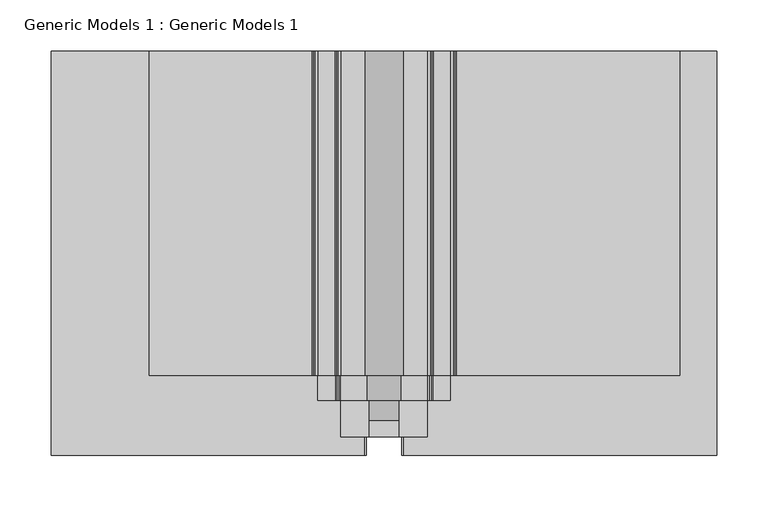
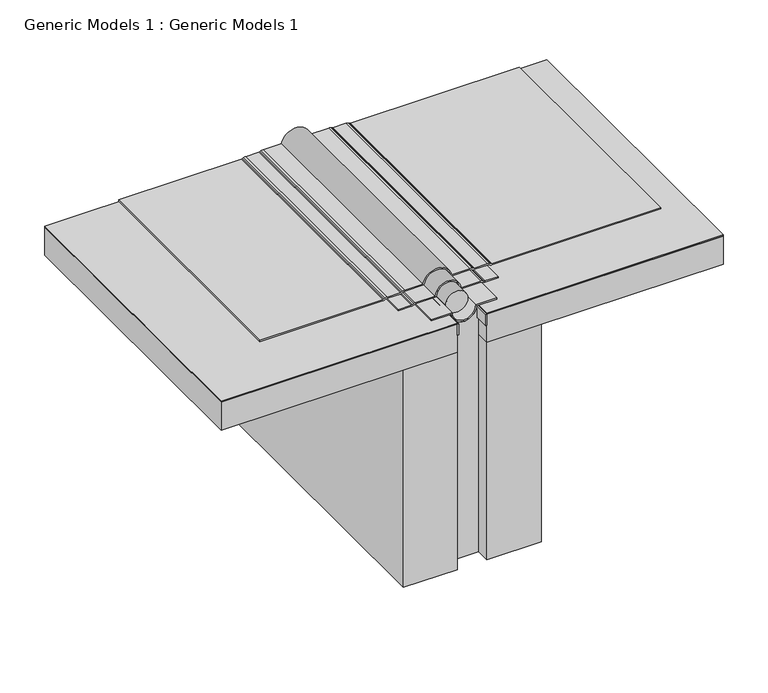
"""IFC4 building model written with IfcOpenShell, lengths in millimetres: proxy geometry, Generic Models 1 : Generic Models 1."""

from ifc_helpers import new_model, si_unit, point, frame, frame_2d, origin, place, context, project, spatial, polyline, circle_curve, trimmed, segment, composite_curve, outline, extrude, source, transform, mapped, element, save


def generic_models_1_generic_models_1_712109e8(model_context):
    return source(origin(), model_context, "Body", "SweptSolid", [
        extrude(outline(composite_curve([segment(polyline([(371.8823839, 80.7975655), (371.8823839, 105.6586194)]), True, "CONTINUOUS"), segment(trimmed(circle_curve(frame_2d((366.3261339, 105.6586194)), 5.55625), [point((371.8823839, 105.6586194))], [point((371.3618066, 108.0067922))], True, "CARTESIAN"), True, "CONTINUOUS"), segment(polyline([(371.3618066, 108.0067922), (370.7148005, 109.3943011)]), True, "CONTINUOUS"), segment(trimmed(circle_curve(frame_2d((375.0310914, 111.4070206)), 4.7625), [point((370.7148005, 109.3943011))], [point((370.2685914, 111.4070206))], False, "CARTESIAN"), True, "CONTINUOUS"), segment(polyline([(370.2685914, 111.4070206), (370.2685914, 128.0795393)]), True, "CONTINUOUS"), segment(trimmed(circle_curve(frame_2d((364.7123414, 128.0795393)), 5.55625), [point((370.2685914, 128.0795393))], [point((369.748014, 130.427712))], True, "CARTESIAN"), True, "CONTINUOUS"), segment(polyline([(369.748014, 130.427712), (369.101008, 131.815221)]), True, "CONTINUOUS"), segment(trimmed(circle_curve(frame_2d((373.4172988, 133.8279405)), 4.7625), [point((369.101008, 131.815221))], [point((368.6547988, 133.8279405))], False, "CARTESIAN"), True, "CONTINUOUS"), segment(polyline([(368.6547988, 133.8279405), (368.6547988, 351.5567558), (370.2422988, 351.5567558), (370.2422988, 133.8279405)]), True, "CONTINUOUS"), segment(trimmed(circle_curve(frame_2d((373.4172988, 133.8279405)), 3.175), [point((370.2422988, 133.8279405))], [point((370.5397716, 132.4861275))], True, "CARTESIAN"), True, "CONTINUOUS"), segment(polyline([(370.5397716, 132.4861275), (371.1867776, 131.0986185)]), True, "CONTINUOUS"), segment(trimmed(circle_curve(frame_2d((364.7123414, 128.0795393)), 7.14375), [point((371.1867776, 131.0986185))], [point((371.8560914, 128.0795393))], False, "CARTESIAN"), True, "CONTINUOUS"), segment(polyline([(371.8560914, 128.0795393), (371.8560914, 111.4070206)]), True, "CONTINUOUS"), segment(trimmed(circle_curve(frame_2d((375.0310914, 111.4070206)), 3.175), [point((371.8560914, 111.4070206))], [point((372.1535641, 110.0652076))], True, "CARTESIAN"), True, "CONTINUOUS"), segment(polyline([(372.1535641, 110.0652076), (372.8005702, 108.6776987)]), True, "CONTINUOUS"), segment(trimmed(circle_curve(frame_2d((366.3261339, 105.6586194)), 7.14375), [point((372.8005702, 108.6776987))], [point((373.4698839, 105.6586194))], False, "CARTESIAN"), True, "CONTINUOUS"), segment(polyline([(373.4698839, 105.6586194), (373.4698839, 82.1291976)]), True, "CONTINUOUS"), segment(trimmed(circle_curve(frame_2d((369.4879876, 63.5)), 19.05), [point((373.4698839, 82.1291976))], [point((373.4698839, 44.8708024))], False, "CARTESIAN"), True, "CONTINUOUS"), segment(polyline([(373.4698839, 44.8708024), (373.4698839, 21.3413806)]), True, "CONTINUOUS"), segment(trimmed(circle_curve(frame_2d((366.3261339, 21.3413806)), 7.14375), [point((373.4698839, 21.3413806))], [point((372.8005702, 18.3223013))], False, "CARTESIAN"), True, "CONTINUOUS"), segment(polyline([(372.8005702, 18.3223013), (372.1535641, 16.9347924)]), True, "CONTINUOUS"), segment(trimmed(circle_curve(frame_2d((375.0310914, 15.5929794)), 3.175), [point((372.1535641, 16.9347924))], [point((371.8560914, 15.5929794))], True, "CARTESIAN"), True, "CONTINUOUS"), segment(polyline([(371.8560914, 15.5929794), (371.8560914, -1.0795393)]), True, "CONTINUOUS"), segment(trimmed(circle_curve(frame_2d((364.7123414, -1.0795393)), 7.14375), [point((371.8560914, -1.0795393))], [point((371.1867776, -4.0986185))], False, "CARTESIAN"), True, "CONTINUOUS"), segment(polyline([(371.1867776, -4.0986185), (370.5397716, -5.4861275)]), True, "CONTINUOUS"), segment(trimmed(circle_curve(frame_2d((373.4172988, -6.8279405)), 3.175), [point((370.5397716, -5.4861275))], [point((370.2422988, -6.8279405))], True, "CARTESIAN"), True, "CONTINUOUS"), segment(polyline([(370.2422988, -6.8279405), (370.2422988, -165.2260002), (368.6547988, -165.2260002), (368.6547988, -6.8279405)]), True, "CONTINUOUS"), segment(trimmed(circle_curve(frame_2d((373.4172988, -6.8279405)), 4.7625), [point((368.6547988, -6.8279405))], [point((369.101008, -4.815221))], False, "CARTESIAN"), True, "CONTINUOUS"), segment(polyline([(369.101008, -4.815221), (369.748014, -3.427712)]), True, "CONTINUOUS"), segment(trimmed(circle_curve(frame_2d((364.7123414, -1.0795393)), 5.55625), [point((369.748014, -3.427712))], [point((370.2685914, -1.0795393))], True, "CARTESIAN"), True, "CONTINUOUS"), segment(polyline([(370.2685914, -1.0795393), (370.2685914, 15.5929794)]), True, "CONTINUOUS"), segment(trimmed(circle_curve(frame_2d((375.0310914, 15.5929794)), 4.7625), [point((370.2685914, 15.5929794))], [point((370.7148005, 17.6056989))], False, "CARTESIAN"), True, "CONTINUOUS"), segment(polyline([(370.7148005, 17.6056989), (371.3618066, 18.9932078)]), True, "CONTINUOUS"), segment(trimmed(circle_curve(frame_2d((366.3261339, 21.3413806)), 5.55625), [point((371.3618066, 18.9932078))], [point((371.8823839, 21.3413806))], True, "CARTESIAN"), True, "CONTINUOUS"), segment(polyline([(371.8823839, 21.3413806), (371.8823839, 46.2024345)]), True, "CONTINUOUS"), segment(trimmed(circle_curve(frame_2d((369.4879876, 63.5)), 17.4625), [point((371.8823839, 46.2024345))], [point((371.8823839, 80.7975655))], True, "CARTESIAN"), True, "CONTINUOUS")], self_intersect=False)), frame((0.0, 77.8885066, 0.0), z_axis=(0.0, 1.0, 0.0), x_axis=(0.0, 0.0, 1.0)), (0.0, 0.0, 1.0), 315.9584324),
        extrude(outline(composite_curve([segment(polyline([(371.0886339, 105.6586194), (371.0886339, 80.0917196)]), True, "CONTINUOUS"), segment(trimmed(circle_curve(frame_2d((369.4879876, 63.5)), 16.66875), [point((371.0886339, 80.0917196))], [point((371.0886339, 46.9082804))], False, "CARTESIAN"), True, "CONTINUOUS"), segment(polyline([(371.0886339, 46.9082804), (371.0886339, 21.3413806)]), True, "CONTINUOUS"), segment(trimmed(circle_curve(frame_2d((366.3261339, 21.3413806)), 4.7625), [point((371.0886339, 21.3413806))], [point((370.6424248, 19.3286611))], False, "CARTESIAN"), True, "CONTINUOUS"), segment(polyline([(370.6424248, 19.3286611), (369.7723141, 17.4627028)]), True, "CONTINUOUS"), segment(trimmed(circle_curve(frame_2d((372.6498414, 16.1208898)), 3.175), [point((369.7723141, 17.4627028))], [point((369.4748414, 16.1208898))], True, "CARTESIAN"), True, "CONTINUOUS"), segment(polyline([(369.4748414, 16.1208898), (369.4748414, -1.0795393), (367.8873414, -1.0795393), (367.8873414, 16.1208898)]), True, "CONTINUOUS"), segment(trimmed(circle_curve(frame_2d((372.6498414, 16.1208898)), 4.7625), [point((367.8873414, 16.1208898))], [point((368.3335505, 18.1336093))], False, "CARTESIAN"), True, "CONTINUOUS"), segment(polyline([(368.3335505, 18.1336093), (369.2036612, 19.9995676)]), True, "CONTINUOUS"), segment(trimmed(circle_curve(frame_2d((366.3261339, 21.3413806)), 3.175), [point((369.2036612, 19.9995676))], [point((369.5011339, 21.3413806))], True, "CARTESIAN"), True, "CONTINUOUS"), segment(polyline([(369.5011339, 21.3413806), (369.5011339, 48.4187557)]), True, "CONTINUOUS"), segment(trimmed(circle_curve(frame_2d((369.4879876, 63.5)), 15.08125), [point((369.5011339, 48.4187557))], [point((369.5011339, 78.5812443))], True, "CARTESIAN"), True, "CONTINUOUS"), segment(polyline([(369.5011339, 78.5812443), (369.5011339, 105.6586194)]), True, "CONTINUOUS"), segment(trimmed(circle_curve(frame_2d((366.3261339, 105.6586194)), 3.175), [point((369.5011339, 105.6586194))], [point((369.2036612, 107.0004324))], True, "CARTESIAN"), True, "CONTINUOUS"), segment(polyline([(369.2036612, 107.0004324), (368.3335505, 108.8663907)]), True, "CONTINUOUS"), segment(trimmed(circle_curve(frame_2d((372.6498414, 110.8791102)), 4.7625), [point((368.3335505, 108.8663907))], [point((367.8873414, 110.8791102))], False, "CARTESIAN"), True, "CONTINUOUS"), segment(polyline([(367.8873414, 110.8791102), (367.8873414, 128.0795393), (369.4748414, 128.0795393), (369.4748414, 110.8791102)]), True, "CONTINUOUS"), segment(trimmed(circle_curve(frame_2d((372.6498414, 110.8791102)), 3.175), [point((369.4748414, 110.8791102))], [point((369.7723141, 109.5372972))], True, "CARTESIAN"), True, "CONTINUOUS"), segment(polyline([(369.7723141, 109.5372972), (370.6424248, 107.6713389)]), True, "CONTINUOUS"), segment(trimmed(circle_curve(frame_2d((366.3261339, 105.6586194)), 4.7625), [point((370.6424248, 107.6713389))], [point((371.0886339, 105.6586194))], False, "CARTESIAN"), True, "CONTINUOUS")], self_intersect=False)), frame((0.0, 53.568581, 0.0), z_axis=(0.0, 1.0, 0.0), x_axis=(0.0, 0.0, 1.0)), (0.0, 0.0, 1.0), 340.278358),
        extrude(outline(composite_curve([segment(trimmed(circle_curve(frame_2d((369.4879876, 63.5)), 17.4625), [point((364.2830208, 80.16875))], [point((364.2830208, 46.83125))], True, "CARTESIAN"), True, "CONTINUOUS"), segment(polyline([(364.2830208, 46.83125), (350.4181348, 46.83125), (350.4181348, 45.24375), (31.75, 45.24375), (31.75, 81.75625), (350.4181348, 81.75625), (350.4181348, 80.16875), (364.2830208, 80.16875)]), True, "CONTINUOUS")], self_intersect=False)), frame((0.0, 18.3920053, 0.0), z_axis=(0.0, 1.0, 0.0), x_axis=(0.0, 0.0, 1.0)), (0.0, 0.0, 1.0), 375.4549336),
        extrude(outline(composite_curve([segment(polyline([(367.8873414, 105.56875), (369.4748414, 105.56875), (369.4748414, 78.5812443)]), True, "CONTINUOUS"), segment(trimmed(circle_curve(frame_2d((369.4879876, 63.5)), 15.08125), [point((369.4748414, 78.5812443))], [point((369.4748414, 48.4187557))], True, "CARTESIAN"), True, "CONTINUOUS"), segment(polyline([(369.4748414, 48.4187557), (369.4748414, 21.43125), (367.8873414, 21.43125), (367.8873414, 46.9082804)]), True, "CONTINUOUS"), segment(trimmed(circle_curve(frame_2d((369.4879876, 63.5)), 16.66875), [point((367.8873414, 46.9082804))], [point((367.8873414, 80.0917196))], False, "CARTESIAN"), True, "CONTINUOUS"), segment(polyline([(367.8873414, 80.0917196), (367.8873414, 105.56875)]), True, "CONTINUOUS")], self_intersect=False)), frame((0.0, 18.3920053, 0.0), z_axis=(0.0, 1.0, 0.0), x_axis=(0.0, 0.0, 1.0)), (0.0, 0.0, 1.0), 375.4549336),
        extrude(outline(composite_curve([segment(trimmed(circle_curve(frame_2d((369.4879876, 63.5)), 14.2875), [point((369.4879876, 49.2125))], [point((369.4879876, 77.7875))], False, "CARTESIAN"), True, "CONTINUOUS"), segment(trimmed(circle_curve(frame_2d((369.4879876, 63.5)), 14.2875), [point((369.4879876, 77.7875))], [point((369.4879876, 49.2125))], False, "CARTESIAN"), True, "CONTINUOUS")], self_intersect=False)), frame((0.0, 34.3915988, 0.0), z_axis=(0.0, 1.0, 0.0), x_axis=(0.0, 0.0, 1.0)), (0.0, 0.0, 1.0), 359.4553402),
        extrude(outline(polyline([(44.45, 393.8469389), (46.0375, 393.8469389), (46.0375, 0.0), (44.45, 0.0), (44.45, 393.8469389)])), frame((0.0, 0.0, 351.2118848), z_axis=(0.0, 0.0, 1.0), x_axis=(1.0, 0.0, 0.0)), (0.0, 0.0, 1.0), 15.0879565),
        extrude(outline(polyline([(80.9625, 393.8469389), (82.55, 393.8469389), (82.55, 0.0), (80.9625, 0.0), (80.9625, 393.8469389)])), frame((0.0, 0.0, 351.2118848), z_axis=(0.0, 0.0, 1.0), x_axis=(1.0, 0.0, 0.0)), (0.0, 0.0, 1.0), 15.0879565),
        extrude(outline(polyline([(-260.35, 393.8469389), (44.45, 393.8469389), (44.45, 0.0), (-260.35, 0.0), (-260.35, 393.8469389)])), frame((0.0, 0.0, 367.0935914), z_axis=(0.0, 0.0, 1.0), x_axis=(1.0, 0.0, 0.0)), (0.0, 0.0, 1.0), 0.79375),
        extrude(outline(polyline([(-260.35, 393.8469389), (44.45, 393.8469389), (44.45, 0.0), (-260.35, 0.0), (-260.35, 393.8469389)])), frame((0.0, 0.0, 328.1998414), z_axis=(0.0, 0.0, 1.0), x_axis=(1.0, 0.0, 0.0)), (0.0, 0.0, 1.0), 38.1),
        extrude(outline(polyline([(44.45, 0.0), (-25.4, 0.0), (-25.4, 393.8469389), (44.45, 393.8469389), (44.45, 0.0)])), frame((0.0, 0.0, 31.75), z_axis=(0.0, 0.0, 1.0), x_axis=(1.0, 0.0, 0.0)), (0.0, 0.0, 1.0), 296.4498414),
        extrude(outline(polyline([(82.55, 393.8469389), (387.35, 393.8469389), (387.35, 0.0), (82.55, 0.0), (82.55, 393.8469389)])), frame((0.0, 0.0, 367.0935914), z_axis=(0.0, 0.0, 1.0), x_axis=(1.0, 0.0, 0.0)), (0.0, 0.0, 1.0), 0.79375),
        extrude(outline(polyline([(82.55, 393.8469389), (387.35, 393.8469389), (387.35, 0.0), (82.55, 0.0), (82.55, 393.8469389)])), frame((0.0, 0.0, 328.1998414), z_axis=(0.0, 0.0, 1.0), x_axis=(1.0, 0.0, 0.0)), (0.0, 0.0, 1.0), 38.1),
        extrude(outline(polyline([(152.4, 0.0), (82.55, 0.0), (82.55, 393.8469389), (152.4, 393.8469389), (152.4, 0.0)])), frame((0.0, 0.0, 31.75), z_axis=(0.0, 0.0, 1.0), x_axis=(1.0, 0.0, 0.0)), (0.0, 0.0, 1.0), 296.4498414),
    ])


if __name__ == "__main__":
    model = new_model("IFC4")
    model_context = context("Model", 3, world=origin())
    ifc_project = project(units=[si_unit("LENGTHUNIT", "METRE", prefix="MILLI")], contexts=[model_context])
    site = spatial("IfcSite", under=ifc_project)
    building = spatial("IfcBuilding", under=site)
    placement = place(None, origin())
    generic_models_1_generic_models_1_shape = generic_models_1_generic_models_1_712109e8(model_context)
    element("IfcBuildingElementProxy", 1, Name="Generic Models 1 : Generic Models 1", ObjectType="Generic Models 1 : Generic Models 1", at=placement, inside=building, context=model_context, shape_type="MappedRepresentation", body=[
        mapped(generic_models_1_generic_models_1_shape, transform((0.0, 0.0, 0.0), x_axis=(1.0, 0.0, 0.0), y_axis=(0.0, 1.0, 0.0), z_axis=(0.0, 0.0, 1.0))),
    ])
    save(model, "model.ifc")
